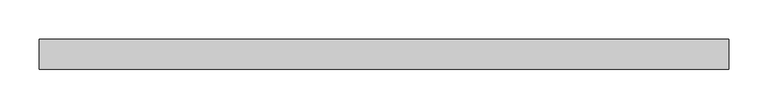
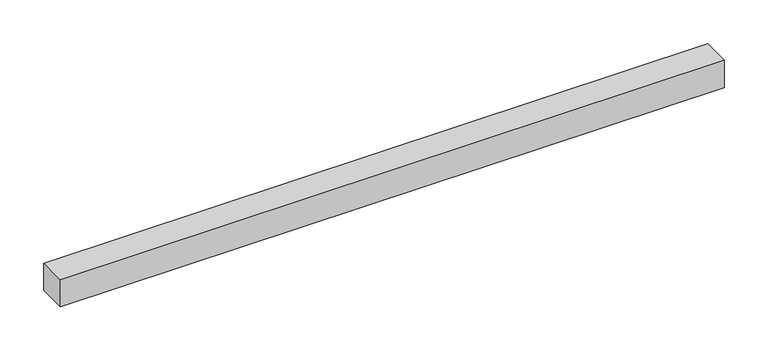
"""IFC4 building model written with IfcOpenShell, lengths in millimetres: beam geometry."""

from ifc_helpers import new_model, si_unit, frame, origin, place, context, project, spatial, polyline, outline, extrude, source, transform, mapped, element, save


def beam_98172ee9(model_context):
    return source(origin(), model_context, "Body", "SweptSolid", [
        extrude(outline(polyline([(-447.675, 19.05), (428.625, 19.05), (428.625, -19.05), (-447.675, -19.05), (-447.675, 19.05)])), frame((0.0, 0.0, -19.05), z_axis=(0.0, 0.0, 1.0), x_axis=(1.0, 0.0, 0.0)), (0.0, 0.0, 1.0), 38.1),
    ])


if __name__ == "__main__":
    model = new_model("IFC4")
    model_context = context("Model", 3, world=origin())
    ifc_project = project(units=[si_unit("LENGTHUNIT", "METRE", prefix="MILLI")], contexts=[model_context])
    site = spatial("IfcSite", under=ifc_project)
    building = spatial("IfcBuilding", under=site)
    placement = place(None, origin())
    beam_shape = beam_98172ee9(model_context)
    element("IfcBeam", 1, at=placement, inside=building, context=model_context, shape_type="MappedRepresentation", body=[
        mapped(beam_shape, transform((0.0, 0.0, 0.0), x_axis=(1.0, 0.0, 0.0), y_axis=(0.0, 1.0, 0.0), z_axis=(0.0, 0.0, 1.0))),
    ])
    save(model, "model.ifc")
